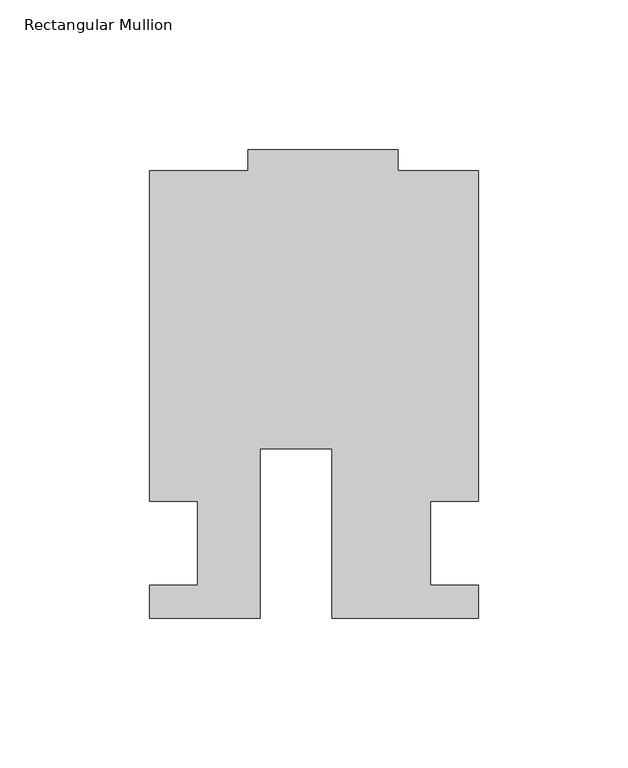
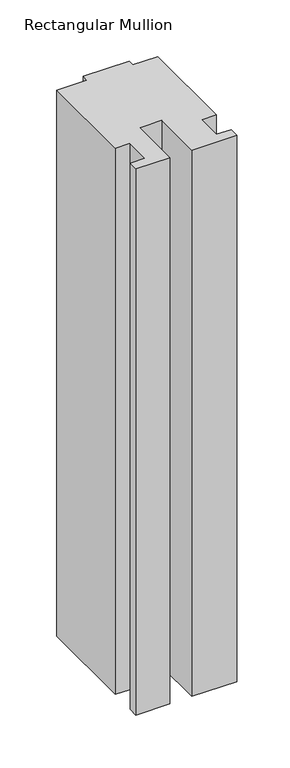
"""IFC4 building model written with IfcOpenShell, lengths in millimetres: member geometry, Rectangular Mullion."""

from ifc_helpers import new_model, si_unit, frame, origin, place, context, project, spatial, polyline, outline, extrude, source, transform, mapped, element, save


def rectangular_mullion_7b4340b1(model_context):
    return source(origin(), model_context, "Body", "SweptSolid", [
        extrude(outline(polyline([(-24.0309529, -25.0), (-60.9971154, -25.0), (-60.9971154, -14.0), (-44.9942308, -14.0), (-44.9942308, 13.9998907), (-60.9971154, 13.9998907), (-60.9971154, 124.4999439), (-27.9971154, 124.4999439), (-27.9971154, 131.5), (22.0028846, 131.5), (22.0028846, 124.5), (49.0, 124.5), (49.0, 14.0), (33.0, 14.0), (33.0, -14.0), (49.0, -14.0), (49.0, -25.0), (0.0028846, -25.0), (0.0028846, 31.6008577), (-24.0309529, 31.6008577), (-24.0309529, -25.0)])), frame((0.0, 0.0, -629.2376689), z_axis=(0.0, 0.0, 1.0), x_axis=(1.0, 0.0, 0.0)), (0.0, 0.0, 1.0), 629.2376689),
    ])


if __name__ == "__main__":
    model = new_model("IFC4")
    model_context = context("Model", 3, world=origin())
    ifc_project = project(units=[si_unit("LENGTHUNIT", "METRE", prefix="MILLI")], contexts=[model_context])
    site = spatial("IfcSite", under=ifc_project)
    building = spatial("IfcBuilding", under=site)
    placement = place(None, origin())
    rectangular_mullion_shape = rectangular_mullion_7b4340b1(model_context)
    element("IfcMember", 1, ObjectType="Rectangular Mullion", at=placement, inside=building, context=model_context, shape_type="MappedRepresentation", body=[
        mapped(rectangular_mullion_shape, transform((0.0, 0.0, 0.0), x_axis=(1.0, 0.0, 0.0), y_axis=(0.0, 1.0, 0.0), z_axis=(0.0, 0.0, 1.0))),
    ])
    save(model, "model.ifc")
